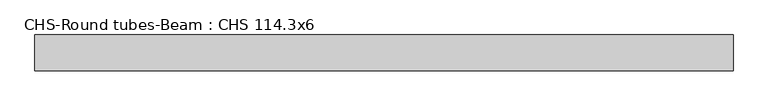
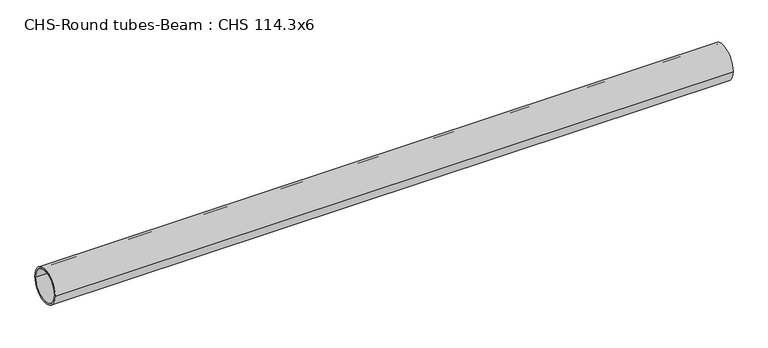
"""IFC4 building model written with IfcOpenShell, lengths in millimetres: beam geometry, CHS-Round tubes-Beam : CHS 114.3x6."""

from ifc_helpers import new_model, si_unit, point, frame, origin, origin_2d, place, context, project, spatial, circle_curve, trimmed, segment, composite_curve, outline, extrude, source, transform, mapped, element, save


def chs_round_tubes_beam_chs_114_3x6_6e5e55dd(model_context):
    return source(origin(), model_context, "Body", "SweptSolid", [
        extrude(outline(composite_curve([segment(trimmed(circle_curve(origin_2d(), 57.15), [point((57.15, 0.0))], [point((-57.15, 0.0))], False, "CARTESIAN"), True, "CONTINUOUS"), segment(trimmed(circle_curve(origin_2d(), 57.15), [point((-57.15, 0.0))], [point((57.15, 0.0))], False, "CARTESIAN"), True, "CONTINUOUS")], self_intersect=False), holes=[composite_curve([segment(trimmed(circle_curve(origin_2d(), 51.15), [point((51.15, 0.0))], [point((-51.15, 0.0))], True, "CARTESIAN"), True, "CONTINUOUS"), segment(trimmed(circle_curve(origin_2d(), 51.15), [point((-51.15, 0.0))], [point((51.15, 0.0))], True, "CARTESIAN"), True, "CONTINUOUS")], self_intersect=False)]), frame((-992.2999685, 0.0, 0.0), z_axis=(1.0, 0.0, 0.0), x_axis=(0.0, 1.0, 0.0)), (0.0, 0.0, 1.0), 2214.3609066),
    ])


if __name__ == "__main__":
    model = new_model("IFC4")
    model_context = context("Model", 3, world=origin())
    ifc_project = project(units=[si_unit("LENGTHUNIT", "METRE", prefix="MILLI")], contexts=[model_context])
    site = spatial("IfcSite", under=ifc_project)
    building = spatial("IfcBuilding", under=site)
    placement = place(None, origin())
    chs_round_tubes_beam_chs_114_3x6_shape = chs_round_tubes_beam_chs_114_3x6_6e5e55dd(model_context)
    element("IfcBeam", 1, ObjectType="CHS-Round tubes-Beam : CHS 114.3x6", at=placement, inside=building, context=model_context, shape_type="MappedRepresentation", body=[
        mapped(chs_round_tubes_beam_chs_114_3x6_shape, transform((0.0, 0.0, 0.0), x_axis=(1.0, 0.0, 0.0), y_axis=(0.0, 1.0, 0.0), z_axis=(0.0, 0.0, 1.0))),
    ])
    save(model, "model.ifc")
